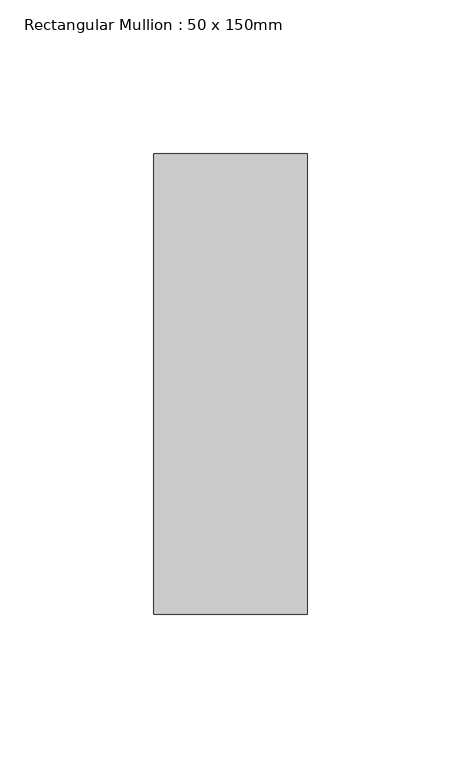
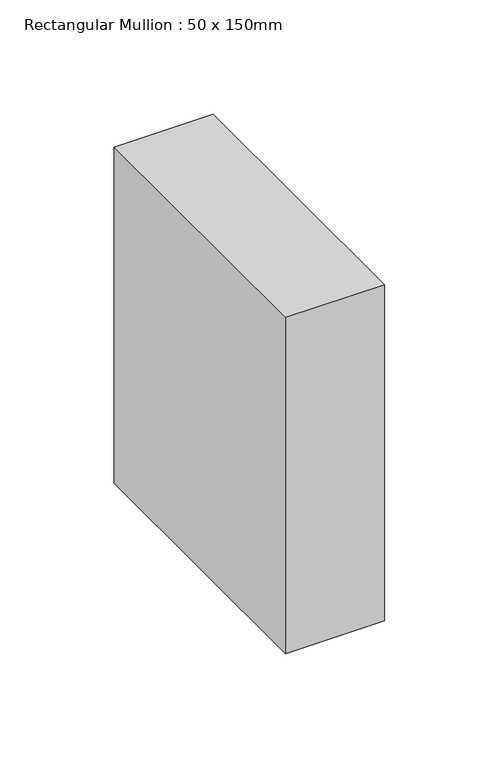
"""IFC4 building model written with IfcOpenShell, lengths in millimetres: member geometry, Rectangular Mullion : 50 x 150mm."""

from ifc_helpers import new_model, si_unit, frame, origin, place, context, project, spatial, polyline, outline, extrude, source, transform, mapped, element, save


def rectangular_mullion_50_x_150mm_e1594e27(model_context):
    return source(origin(), model_context, "Body", "SweptSolid", [
        extrude(outline(polyline([(0.0, 75.0), (0.0, -75.0), (-50.0, -75.0), (-50.0, 75.0), (0.0, 75.0)])), frame((0.0, 0.0, -179.4833746), z_axis=(0.0, 0.0, 1.0), x_axis=(1.0, 0.0, 0.0)), (0.0, 0.0, 1.0), 179.4833746),
    ])


if __name__ == "__main__":
    model = new_model("IFC4")
    model_context = context("Model", 3, world=origin())
    ifc_project = project(units=[si_unit("LENGTHUNIT", "METRE", prefix="MILLI")], contexts=[model_context])
    site = spatial("IfcSite", under=ifc_project)
    building = spatial("IfcBuilding", under=site)
    placement = place(None, origin())
    rectangular_mullion_50_x_150mm_shape = rectangular_mullion_50_x_150mm_e1594e27(model_context)
    element("IfcMember", 1, ObjectType="Rectangular Mullion : 50 x 150mm", at=placement, inside=building, context=model_context, shape_type="MappedRepresentation", body=[
        mapped(rectangular_mullion_50_x_150mm_shape, transform((0.0, 0.0, 0.0), x_axis=(1.0, 0.0, 0.0), y_axis=(0.0, 1.0, 0.0), z_axis=(0.0, 0.0, 1.0))),
    ])
    save(model, "model.ifc")
